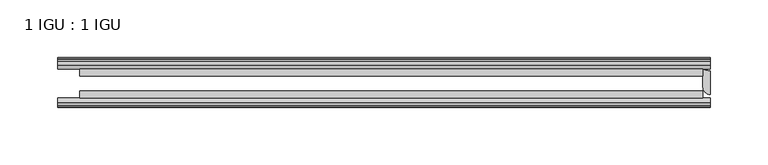
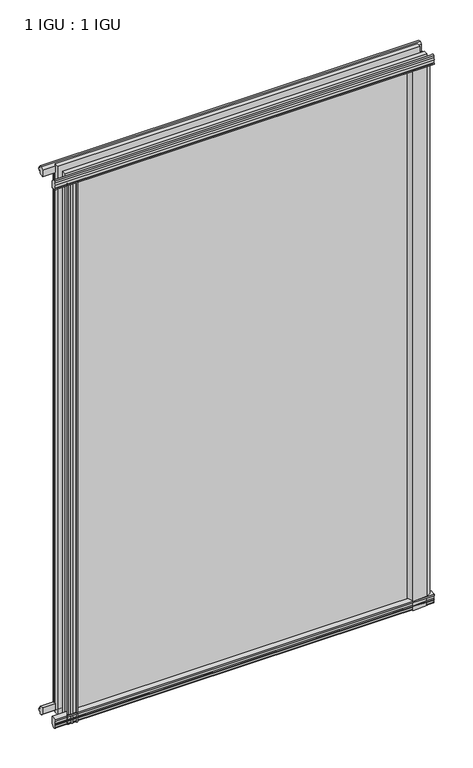
"""IFC4 building model written with IfcOpenShell, lengths in millimetres: plate geometry, 1 IGU : 1 IGU."""

from ifc_helpers import new_model, si_unit, point, frame, frame_2d, origin, place, context, project, spatial, polyline, circle_curve, trimmed, segment, composite_curve, outline, extrude, source, transform, mapped, element, save


def plate_1_igu_1_igu_0c05dfdd(model_context):
    return source(origin(), model_context, "Body", "SweptSolid", [
        extrude(outline(composite_curve([segment(polyline([(-46.2359545, 846.392137), (-46.2359545, 835.3699197), (-53.3197108, 836.7372291)]), True, "CONTINUOUS"), segment(trimmed(circle_curve(frame_2d((-53.1447545, 837.7380519)), 1.016), [point((-53.3197108, 836.7372291))], [point((-53.8888005, 838.4298983))], False, "CARTESIAN"), True, "CONTINUOUS"), segment(polyline([(-53.8888005, 838.4298983), (-52.5859205, 838.2460519), (-52.5859205, 843.6562519), (-54.0652165, 843.9170917), (-52.5859205, 846.5010519), (-52.5859205, 849.6760519)]), True, "CONTINUOUS"), segment(trimmed(circle_curve(frame_2d((-51.3159205, 849.6760519)), 1.27), [point((-52.5859205, 849.6760519))], [point((-50.4178949, 850.5740775))], False, "CARTESIAN"), True, "CONTINUOUS"), segment(polyline([(-50.4178949, 850.5740775), (-46.2359545, 846.392137)]), True, "CONTINUOUS")], self_intersect=False)), frame((-282.5754022, 0.0, 0.0), z_axis=(1.0, 0.0, 0.0), x_axis=(0.0, 1.0, 0.0)), (0.0, 0.0, 1.0), 565.1508044),
        extrude(outline(polyline([(-17.4323375, 850.8285625), (-14.4859375, 850.8285625), (-14.4859375, 846.3835625), (-12.1057405, 846.0025625), (-12.5656738, 847.4180916), (-11.7644596, 847.4180916), (-11.0569375, 845.2405625), (-11.7644596, 843.0630334), (-12.5656738, 843.0630334), (-12.1057405, 844.4785625), (-14.4859375, 844.0975625), (-14.4859375, 838.8905625), (-20.8359545, 837.1728398), (-20.8359545, 847.9942062), (-17.4323375, 850.8285625)])), frame((-282.5754022, 0.0, 0.0), z_axis=(1.0, 0.0, 0.0), x_axis=(0.0, 1.0, 0.0)), (0.0, 0.0, 1.0), 565.1508044),
        extrude(outline(polyline([(-20.8359545, 1.2049602), (-14.4859375, -0.5127625), (-14.4859375, -5.7197625), (-12.1057405, -6.1007625), (-12.5656738, -4.6852334), (-11.7644596, -4.6852334), (-11.0569375, -6.8627625), (-11.7644596, -9.0402916), (-12.5656738, -9.0402916), (-12.1057405, -7.6247625), (-14.4859375, -8.0057625), (-14.4859375, -12.4507625), (-17.4323375, -12.4507625), (-20.8359545, -9.6164062), (-20.8359545, 1.2049602)])), frame((-282.5754022, 0.0, 0.0), z_axis=(1.0, 0.0, 0.0), x_axis=(0.0, 1.0, 0.0)), (0.0, 0.0, 1.0), 565.1508044),
        extrude(outline(composite_curve([segment(polyline([(-53.3197108, 1.6405709), (-46.2359545, 3.0078803), (-46.2359545, -8.014337), (-50.4178949, -12.1962775)]), True, "CONTINUOUS"), segment(trimmed(circle_curve(frame_2d((-51.3159205, -11.2982519)), 1.27), [point((-50.4178949, -12.1962775))], [point((-52.5859205, -11.2982519))], False, "CARTESIAN"), True, "CONTINUOUS"), segment(polyline([(-52.5859205, -11.2982519), (-52.5859205, -8.1232519), (-54.0652165, -5.5392917), (-52.5859205, -5.2784519), (-52.5859205, 0.1317481), (-53.8888005, -0.0520983)]), True, "CONTINUOUS"), segment(trimmed(circle_curve(frame_2d((-53.1447545, 0.6397481)), 1.016), [point((-53.8888005, -0.0520983))], [point((-53.3197108, 1.6405709))], False, "CARTESIAN"), True, "CONTINUOUS")], self_intersect=False)), frame((-282.5754022, 0.0, 0.0), z_axis=(1.0, 0.0, 0.0), x_axis=(0.0, 1.0, 0.0)), (0.0, 0.0, 1.0), 565.1508044),
        extrude(outline(polyline([(-258.4748825, -12.1057405), (-259.8904115, -12.5656738), (-259.8904115, -11.7644596), (-257.7128825, -11.0569375), (-255.5353534, -11.7644596), (-255.5353534, -12.5656738), (-256.9508825, -12.1057405), (-256.5698825, -14.4859375), (-251.3628825, -14.4859375), (-249.6451644, -20.8359375), (-260.4665403, -20.8359375), (-263.3008825, -17.4323375), (-263.3008825, -14.4859375), (-258.8558825, -14.4859375), (-258.4748825, -12.1057405)])), frame((0.0, 0.0, -12.6752823), z_axis=(0.0, 0.0, 1.0), x_axis=(1.0, 0.0, 0.0)), (0.0, 0.0, 1.0), 851.0530823),
        extrude(outline(composite_curve([segment(polyline([(-258.86444, -46.2359375), (-247.8422364, -46.2359375), (-249.2095491, -53.3197108)]), True, "CONTINUOUS"), segment(trimmed(circle_curve(frame_2d((-250.2103719, -53.1447545)), 1.016), [point((-249.2095491, -53.3197108))], [point((-250.9022183, -53.8888005))], False, "CARTESIAN"), True, "CONTINUOUS"), segment(polyline([(-250.9022183, -53.8888005), (-250.7183719, -52.5859205), (-256.1285719, -52.5859205), (-256.3894117, -54.0652165), (-258.9733719, -52.5859205), (-262.1483719, -52.5859205)]), True, "CONTINUOUS"), segment(trimmed(circle_curve(frame_2d((-262.1483719, -51.3159205)), 1.27), [point((-262.1483719, -52.5859205))], [point((-263.0463975, -50.4178949))], False, "CARTESIAN"), True, "CONTINUOUS"), segment(polyline([(-263.0463975, -50.4178949), (-258.86444, -46.2359375)]), True, "CONTINUOUS")], self_intersect=False)), frame((0.0, 0.0, -12.6752823), z_axis=(0.0, 0.0, 1.0), x_axis=(1.0, 0.0, 0.0)), (0.0, 0.0, 1.0), 851.0530823),
        extrude(outline(composite_curve([segment(polyline([(282.5754022, -22.629276), (282.5754022, -43.0609375)]), True, "CONTINUOUS"), segment(trimmed(circle_curve(frame_2d((282.5754022, -36.7109375)), 6.35), [point((282.5754022, -43.0609375))], [point((276.2254022, -36.7109375))], False, "CARTESIAN"), True, "CONTINUOUS"), segment(polyline([(276.2254022, -36.7109375), (276.2254022, -20.8359375)]), True, "CONTINUOUS"), segment(trimmed(circle_curve(frame_2d((282.5754022, -10.4903061)), 12.1389698), [point((276.2254022, -20.8359375))], [point((282.5754022, -22.629276))], True, "CARTESIAN"), True, "CONTINUOUS")], self_intersect=False)), frame((0.0, 0.0, -12.6752823), z_axis=(0.0, 0.0, 1.0), x_axis=(1.0, 0.0, 0.0)), (0.0, 0.0, 1.0), 851.0530823),
        extrude(outline(composite_curve([segment(polyline([(277.9672135, -50.6809375), (272.7114351, -52.904699), (250.8254022, -54.1607375)]), True, "CONTINUOUS"), segment(trimmed(circle_curve(frame_2d((235.8824314, -56.4589223)), 15.118665), [point((250.8254022, -54.1607375))], [point((247.0208609, -46.2359375))], True, "CARTESIAN"), True, "CONTINUOUS"), segment(polyline([(247.0208609, -46.2359375), (273.4648163, -46.2359375), (277.9672135, -48.1409375), (277.9672135, -50.6809375)]), True, "CONTINUOUS")], self_intersect=False)), frame((0.0, 0.0, -12.6752823), z_axis=(0.0, 0.0, 1.0), x_axis=(1.0, 0.0, 0.0)), (0.0, 0.0, 1.0), 851.0530823),
        extrude(outline(polyline([(276.2254022, -20.8359375), (276.2254022, -27.1859375), (-263.5254022, -27.1859375), (-263.5254022, -20.8359375), (276.2254022, -20.8359375)])), frame((0.0, 0.0, -12.6752823), z_axis=(0.0, 0.0, 1.0), x_axis=(1.0, 0.0, 0.0)), (0.0, 0.0, 1.0), 863.7283645),
        extrude(outline(polyline([(-263.5254022, -46.2359375), (-263.5254022, -39.8859375), (276.2254022, -39.8859375), (276.2254022, -46.2359375), (-263.5254022, -46.2359375)])), frame((0.0, 0.0, -12.6752823), z_axis=(0.0, 0.0, 1.0), x_axis=(1.0, 0.0, 0.0)), (0.0, 0.0, 1.0), 863.7283645),
    ])


if __name__ == "__main__":
    model = new_model("IFC4")
    model_context = context("Model", 3, world=origin())
    ifc_project = project(units=[si_unit("LENGTHUNIT", "METRE", prefix="MILLI")], contexts=[model_context])
    site = spatial("IfcSite", under=ifc_project)
    building = spatial("IfcBuilding", under=site)
    placement = place(None, origin())
    plate_1_igu_1_igu_shape = plate_1_igu_1_igu_0c05dfdd(model_context)
    element("IfcPlate", 1, ObjectType="1 IGU : 1 IGU", at=placement, inside=building, context=model_context, shape_type="MappedRepresentation", body=[
        mapped(plate_1_igu_1_igu_shape, transform((0.0, 0.0, 0.0), x_axis=(1.0, 0.0, 0.0), y_axis=(0.0, 1.0, 0.0), z_axis=(0.0, 0.0, 1.0))),
    ])
    save(model, "model.ifc")
